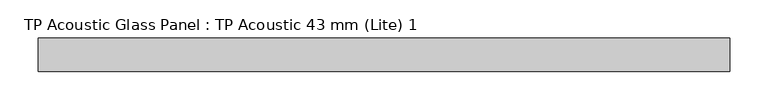
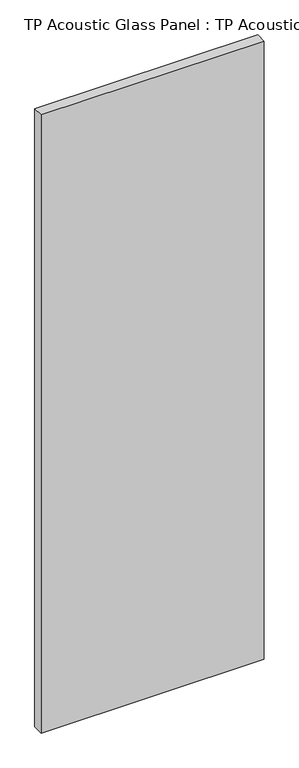
"""IFC4 building model written with IfcOpenShell, lengths in millimetres: plate geometry, TP Acoustic Glass Panel : TP Acoustic 43 mm (Lite) 1."""

from ifc_helpers import new_model, si_unit, origin, origin_with_axes, place, context, project, spatial, polyline, outline, extrude, source, transform, mapped, element, save


def tp_acoustic_glass_panel_tp_acoustic_43_mm_lite_1_e0305e49(model_context):
    return source(origin(), model_context, "Body", "SweptSolid", [
        extrude(outline(polyline([(448.75, 21.5), (448.75, -21.5), (-448.75, -21.5), (-448.75, 21.5), (448.75, 21.5)])), origin_with_axes(), (0.0, 0.0, 1.0), 2628.0),
    ])


if __name__ == "__main__":
    model = new_model("IFC4")
    model_context = context("Model", 3, world=origin())
    ifc_project = project(units=[si_unit("LENGTHUNIT", "METRE", prefix="MILLI")], contexts=[model_context])
    site = spatial("IfcSite", under=ifc_project)
    building = spatial("IfcBuilding", under=site)
    placement = place(None, origin())
    tp_acoustic_glass_panel_tp_acoustic_43_mm_lite_1_shape = tp_acoustic_glass_panel_tp_acoustic_43_mm_lite_1_e0305e49(model_context)
    element("IfcPlate", 1, ObjectType="TP Acoustic Glass Panel : TP Acoustic 43 mm (Lite) 1", at=placement, inside=building, context=model_context, shape_type="MappedRepresentation", body=[
        mapped(tp_acoustic_glass_panel_tp_acoustic_43_mm_lite_1_shape, transform((0.0, 0.0, 0.0), x_axis=(1.0, 0.0, 0.0), y_axis=(0.0, 1.0, 0.0), z_axis=(0.0, 0.0, 1.0))),
    ])
    save(model, "model.ifc")
